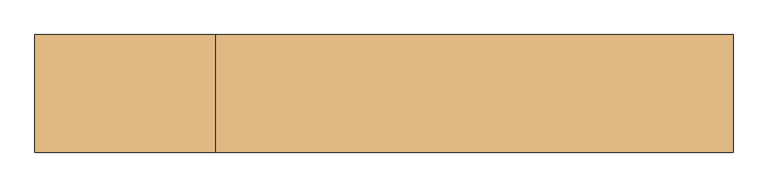
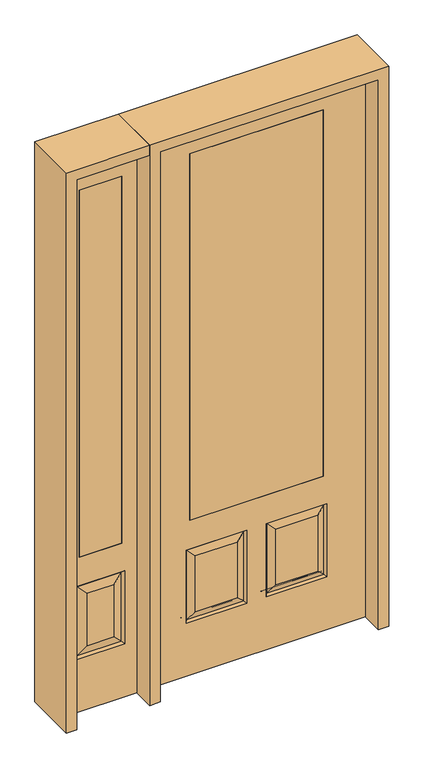
"""IFC4 building model written with IfcOpenShell, lengths in millimetres: door geometry."""

from ifc_helpers import new_model, si_unit, frame, origin, place, context, project, spatial, polyline, outline, extrude, faceted_brep, source, transform, mapped, element, save


def door_0f5b3571(model_context):
    return source(origin(), model_context, "Body", "SolidModel", [
        extrude(outline(polyline([(-565.15, -20.6375), (-742.95, -20.6375), (-742.95, 20.6375), (-565.15, 20.6375), (-565.15, -20.6375)])), frame((0.0, 0.0, 685.8), z_axis=(0.0, 0.0, 1.0), x_axis=(1.0, 0.0, 0.0)), (0.0, 0.0, 1.0), 1625.6),
        faceted_brep([(-806.45, -20.6375, 0.0), (-501.65, -20.6375, 0.0), (-501.65, -20.6375, 2438.4), (-806.45, -20.6375, 2438.4), (-552.45, -20.6375, 234.95), (-755.65, -20.6375, 234.95), (-755.65, -20.6375, 558.8), (-552.45, -20.6375, 558.8), (-565.15, -20.6375, 685.8), (-742.95, -20.6375, 685.8), (-742.95, -20.6375, 2311.4), (-565.15, -20.6375, 2311.4), (-709.6125, -20.6375, 280.9875), (-598.4875, -20.6375, 280.9875), (-598.4875, -20.6375, 512.7625), (-709.6125, -20.6375, 512.7625), (-806.45, 20.6375, 0.0), (-501.65, 20.6375, 0.0), (-501.65, 20.6375, 2438.4), (-806.45, 20.6375, 2438.4), (-561.4302561, -11.6572439, 243.9302561), (-746.6697439, -11.6572439, 243.9302561), (-746.6697439, -11.6572439, 549.8197439), (-561.4302561, -11.6572439, 549.8197439), (-755.65, 20.6375, 234.95), (-552.45, 20.6375, 234.95), (-552.45, 20.6375, 558.8), (-755.65, 20.6375, 558.8), (-742.95, 20.6375, 685.8), (-565.15, 20.6375, 685.8), (-565.15, 20.6375, 2311.4), (-742.95, 20.6375, 2311.4), (-598.4875, 20.6375, 280.9875), (-709.6125, 20.6375, 280.9875), (-709.6125, 20.6375, 512.7625), (-598.4875, 20.6375, 512.7625), (-746.6697439, 11.6572439, 243.9302561), (-561.4302561, 11.6572439, 243.9302561), (-561.4302561, 11.6572439, 549.8197439), (-746.6697439, 11.6572439, 549.8197439)], [[[0, 1, 2, 3], [4, 5, 6, 7], [8, 9, 10, 11]], [[12, 13, 14, 15]], [[1, 0, 16, 17]], [[2, 1, 17, 18]], [[0, 3, 19, 16]], [[20, 21, 5, 4]], [[5, 21, 22, 6]], [[6, 22, 23, 7]], [[20, 4, 7, 23]], [[21, 20, 13, 12]], [[13, 20, 23, 14]], [[22, 15, 14, 23]], [[21, 12, 15, 22]], [[16, 19, 18, 17], [24, 25, 26, 27], [28, 29, 30, 31]], [[32, 33, 34, 35]], [[24, 36, 37, 25]], [[25, 37, 38, 26]], [[39, 27, 26, 38]], [[36, 24, 27, 39]], [[37, 36, 33, 32]], [[33, 36, 39, 34]], [[34, 39, 38, 35]], [[37, 32, 35, 38]], [[3, 2, 18, 19]], [[8, 29, 28, 9]], [[9, 28, 31, 10]], [[29, 8, 11, 30]], [[30, 11, 10, 31]]]),
        faceted_brep([(279.4, 20.6375, 685.8), (279.4, -20.6375, 685.8), (279.4, -20.6375, 2311.4), (279.4, 20.6375, 2311.4), (-279.4, 20.6375, 685.8), (-279.4, -20.6375, 685.8), (-80.1727627, 20.6375, 273.8477627), (-256.3772373, 20.6375, 273.8477627), (-256.3772373, 20.6375, 520.4102373), (-80.1727627, 20.6375, 520.4102373), (256.3772373, 20.6375, 273.8477627), (80.1727627, 20.6375, 273.8477627), (80.1727627, 20.6375, 520.4102373), (256.3772373, 20.6375, 520.4102373), (-457.2, 20.6375, 2438.4), (457.2, 20.6375, 2438.4), (457.2, 20.6375, 0.0), (-457.2, 20.6375, 0.0), (-279.4, 20.6375, 2311.4), (-295.275, 20.6375, 234.95), (-41.275, 20.6375, 234.95), (-41.275, 20.6375, 559.308), (-295.275, 20.6375, 559.308), (41.275, 20.6375, 234.95), (295.275, 20.6375, 234.95), (295.275, 20.6375, 559.308), (41.275, 20.6375, 559.308), (-279.4, -20.6375, 2311.4), (80.1727627, -20.6375, 273.8477627), (256.3772373, -20.6375, 273.8477627), (256.3772373, -20.6375, 520.4102373), (80.1727627, -20.6375, 520.4102373), (-256.3772373, -20.6375, 273.8477627), (-80.1727627, -20.6375, 273.8477627), (-80.1727627, -20.6375, 520.4102373), (-256.3772373, -20.6375, 520.4102373), (457.2, -20.6375, 2438.4), (-457.2, -20.6375, 2438.4), (-457.2, -20.6375, 0.0), (457.2, -20.6375, 0.0), (295.275, -20.6375, 234.95), (41.275, -20.6375, 234.95), (41.275, -20.6375, 559.308), (295.275, -20.6375, 559.308), (-41.275, -20.6375, 234.95), (-295.275, -20.6375, 234.95), (-295.275, -20.6375, 559.308), (-41.275, -20.6375, 559.308), (-287.8714647, 11.4399763, 242.3535353), (-48.6785353, 11.4399763, 242.3535353), (-48.6785353, 11.4399763, 551.9044647), (-287.8714647, 11.4399763, 551.9044647), (48.6785353, 11.4399763, 242.3535353), (287.8714647, 11.4399763, 242.3535353), (287.8714647, 11.4399763, 551.9044647), (48.6785353, 11.4399763, 551.9044647), (287.8714647, -11.4399763, 242.3535353), (48.6785353, -11.4399763, 242.3535353), (48.6785353, -11.4399763, 551.9044647), (287.8714647, -11.4399763, 551.9044647), (-48.6785353, -11.4399763, 242.3535353), (-287.8714647, -11.4399763, 242.3535353), (-287.8714647, -11.4399763, 551.9044647), (-48.6785353, -11.4399763, 551.9044647)], [[[0, 1, 2, 3]], [[1, 0, 4, 5]], [[6, 7, 8, 9]], [[10, 11, 12, 13]], [[14, 15, 16, 17], [4, 0, 3, 18], [19, 20, 21, 22], [23, 24, 25, 26]], [[5, 4, 18, 27]], [[28, 29, 30, 31]], [[32, 33, 34, 35]], [[36, 37, 38, 39], [1, 5, 27, 2], [40, 41, 42, 43], [44, 45, 46, 47]], [[39, 38, 17, 16]], [[37, 14, 17, 38]], [[15, 36, 39, 16]], [[19, 48, 49, 20]], [[20, 49, 50, 21]], [[51, 22, 21, 50]], [[48, 19, 22, 51]], [[49, 48, 7, 6]], [[7, 48, 51, 8]], [[8, 51, 50, 9]], [[49, 6, 9, 50]], [[52, 53, 24, 23]], [[24, 53, 54, 25]], [[25, 54, 55, 26]], [[52, 23, 26, 55]], [[53, 52, 11, 10]], [[11, 52, 55, 12]], [[54, 13, 12, 55]], [[53, 10, 13, 54]], [[40, 56, 57, 41]], [[41, 57, 58, 42]], [[59, 43, 42, 58]], [[56, 40, 43, 59]], [[57, 56, 29, 28]], [[29, 56, 59, 30]], [[30, 59, 58, 31]], [[57, 28, 31, 58]], [[60, 61, 45, 44]], [[45, 61, 62, 46]], [[46, 62, 63, 47]], [[60, 44, 47, 63]], [[61, 60, 33, 32]], [[33, 60, 63, 34]], [[62, 35, 34, 63]], [[61, 32, 35, 62]], [[3, 2, 27, 18]], [[36, 15, 14, 37]]]),
        extrude(outline(polyline([(279.4, -20.6375), (-279.4, -20.6375), (-279.4, 20.6375), (279.4, 20.6375), (279.4, -20.6375)])), frame((0.0, 0.0, 685.8), z_axis=(0.0, 0.0, 1.0), x_axis=(1.0, 0.0, 0.0)), (0.0, 0.0, 1.0), 1625.6),
        extrude(outline(polyline([(2438.4, -501.65), (2482.85, -501.65), (2482.85, -850.9), (0.0, -850.9), (0.0, -806.45), (2438.4, -806.45), (2438.4, -501.65)])), frame((0.0, -114.3, 0.0), z_axis=(0.0, 1.0, 0.0), x_axis=(0.0, 0.0, 1.0)), (0.0, 0.0, 1.0), 228.6),
        extrude(outline(polyline([(2482.85, -501.65), (0.0, -501.65), (0.0, -457.2), (2438.4, -457.2), (2438.4, 457.2), (0.0, 457.2), (0.0, 501.65), (2482.85, 501.65), (2482.85, -501.65)])), frame((0.0, -114.3, 0.0), z_axis=(0.0, 1.0, 0.0), x_axis=(0.0, 0.0, 1.0)), (0.0, 0.0, 1.0), 228.6),
    ])


if __name__ == "__main__":
    model = new_model("IFC4")
    model_context = context("Model", 3, world=origin())
    ifc_project = project(units=[si_unit("LENGTHUNIT", "METRE", prefix="MILLI")], contexts=[model_context])
    site = spatial("IfcSite", under=ifc_project)
    building = spatial("IfcBuilding", under=site)
    placement = place(None, origin())
    door_shape = door_0f5b3571(model_context)
    element("IfcDoor", 1, at=placement, inside=building, context=model_context, shape_type="MappedRepresentation", body=[
        mapped(door_shape, transform((0.0, 0.0, 0.0), x_axis=(1.0, 0.0, 0.0), y_axis=(0.0, 1.0, 0.0), z_axis=(0.0, 0.0, 1.0))),
    ])
    save(model, "model.ifc")
